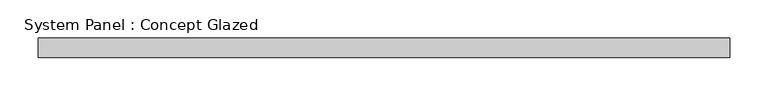
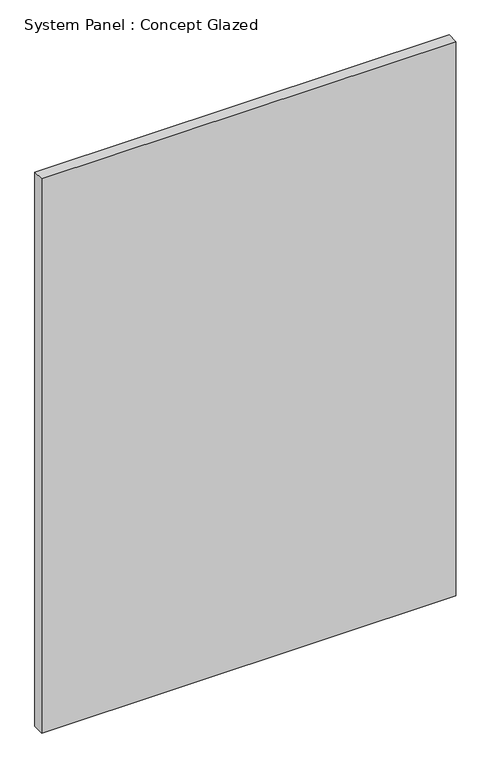
"""IFC4 building model written with IfcOpenShell, lengths in millimetres: plate geometry, System Panel : Concept Glazed."""

import ifcopenshell
import ifcopenshell.guid

model = None  # the IFC model being written
_history = None  # IfcOwnerHistory: only IFC2X3 demands one
_inside = {}  # id of a spatial element -> (the spatial element, [elements in it])
_under = {}  # id of a project, library or spatial element -> (it, [spatial elements below it])
_declared = {}  # id of a project -> (the project, [libraries it declares])
_typed = {}  # id of a type object -> (the type object, [elements of that type])
_made_of = {}  # id of a material, layer set ... -> (it, [elements and type objects made of it])


def new_model(schema):
    """Start an empty IFC model of exactly this schema.

    Asked for "IFC4X3", IfcOpenShell would pick the latest addendum, in which some entities
    have other attributes; the version numbers below select the first issue.
    IFC2X3 requires an IfcOwnerHistory on every rooted entity: one is made here for all.
    """
    global model, _history
    if schema == "IFC4X3":
        model = ifcopenshell.file(schema_version=(4, 3, 0, 0))
    else:
        model = ifcopenshell.file(schema=schema)
    _inside.clear()
    _under.clear()
    _declared.clear()
    _typed.clear()
    _made_of.clear()
    _history = None
    if model.schema == "IFC2X3":
        org = make("IfcOrganization", Name="unknown")
        user = make(
            "IfcPersonAndOrganization",
            ThePerson=make("IfcPerson", FamilyName="unknown"),
            TheOrganization=org,
        )
        app = make(
            "IfcApplication",
            ApplicationDeveloper=org,
            Version="unknown",
            ApplicationFullName="unknown",
            ApplicationIdentifier="unknown",
        )
        _history = make(
            "IfcOwnerHistory",
            OwningUser=user,
            OwningApplication=app,
            ChangeAction="ADDED",
            CreationDate=0,
        )
    return model


def make(cls, **values):
    """One entity of the class cls with the attributes given. An attribute that is None is left unset."""
    return model.create_entity(
        cls, **{name: value for name, value in values.items() if value is not None}
    )


def rooted(cls, **values):
    """An entity with a GlobalId (a new one), such as an element, a storey or a relation."""
    return make(cls, GlobalId=ifcopenshell.guid.new(), OwnerHistory=_history, **values)


def si_unit(unit_type, name, prefix=None):
    """IfcSIUnit, for example si_unit("LENGTHUNIT", "METRE", prefix="MILLI")."""
    return make("IfcSIUnit", UnitType=unit_type, Prefix=prefix, Name=name)


def assignment(units):
    """IfcUnitAssignment: the units of a project."""
    return None if units is None else make("IfcUnitAssignment", Units=units)


def point(xyz):
    """IfcCartesianPoint."""
    return None if xyz is None else make("IfcCartesianPoint", Coordinates=xyz)


def direction(xyz):
    """IfcDirection."""
    return None if xyz is None else make("IfcDirection", DirectionRatios=xyz)


def frame(location, z_axis=None, x_axis=None):
    """IfcAxis2Placement3D, a coordinate frame: its origin and axes. An axis left out is left unset."""
    return make(
        "IfcAxis2Placement3D",
        Location=point(location),
        Axis=direction(z_axis),
        RefDirection=direction(x_axis),
    )


def origin():
    """The frame at (0, 0, 0) with its axes left unset."""
    return frame((0.0, 0.0, 0.0))


def origin_with_axes():
    """The frame at (0, 0, 0) with the z axis (0, 0, 1) and the x axis (1, 0, 0) written out."""
    return frame((0.0, 0.0, 0.0), z_axis=(0.0, 0.0, 1.0), x_axis=(1.0, 0.0, 0.0))


def place(relative_to, where):
    """IfcLocalPlacement: puts the frame where relative to a parent placement (None: the world)."""
    return make(
        "IfcLocalPlacement", PlacementRelTo=relative_to, RelativePlacement=where
    )


def context(
    kind, dimensions, precision=None, world=None, true_north=None, identifier=None
):
    """IfcGeometricRepresentationContext, for example the 3D "Model" context."""
    return make(
        "IfcGeometricRepresentationContext",
        ContextIdentifier=identifier,
        ContextType=kind,
        CoordinateSpaceDimension=dimensions,
        Precision=precision,
        WorldCoordinateSystem=world,
        TrueNorth=true_north,
    )


def project(units=None, contexts=None):
    """IfcProject with its units and contexts."""
    return rooted(
        "IfcProject",
        Name="project",
        RepresentationContexts=contexts,
        UnitsInContext=assignment(units),
    )


def spatial(cls, under=None, at=None, **own):
    """A site, building, storey or space (cls), placed at a placement, below another one or the project."""
    s = rooted(cls, ObjectPlacement=at, **own)
    if under is not None:
        _under.setdefault(under.id(), (under, []))[1].append(s)
    return s


def polyline(points):
    """IfcPolyline through the points."""
    return make("IfcPolyline", Points=[point(p) for p in points])


def outline(outer, holes=None, kind="AREA"):
    """IfcArbitraryClosedProfileDef: a profile drawn as a closed curve; with holes, ...WithVoids."""
    if holes is None:
        return make("IfcArbitraryClosedProfileDef", ProfileType=kind, OuterCurve=outer)
    return make(
        "IfcArbitraryProfileDefWithVoids",
        ProfileType=kind,
        OuterCurve=outer,
        InnerCurves=holes,
    )


def extrude(swept, where, along, depth):
    """IfcExtrudedAreaSolid: the profile swept, set in the frame where, extruded along a direction by depth."""
    return make(
        "IfcExtrudedAreaSolid",
        SweptArea=swept,
        Position=where,
        ExtrudedDirection=direction(along),
        Depth=depth,
    )


def shape(context_of_items, identifier, shape_type, items):
    """IfcShapeRepresentation: the items that make up one representation, for example the "Body"."""
    return make(
        "IfcShapeRepresentation",
        ContextOfItems=context_of_items,
        RepresentationIdentifier=identifier,
        RepresentationType=shape_type,
        Items=items,
    )


def source(mapping_origin, context_of_items, identifier, shape_type, items):
    """IfcRepresentationMap: a shape defined once, which mapped items show again and again."""
    return make(
        "IfcRepresentationMap",
        MappingOrigin=mapping_origin,
        MappedRepresentation=shape(context_of_items, identifier, shape_type, items),
    )


def transform(
    local_origin,
    x_axis=None,
    y_axis=None,
    z_axis=None,
    scale=None,
    scale2=None,
    scale3=None,
    uniform=True,
):
    """IfcCartesianTransformationOperator3D, or its non-uniform kind. x_axis, y_axis, z_axis: its Axis1, 2, 3."""
    if uniform:
        return make(
            "IfcCartesianTransformationOperator3D",
            Axis1=direction(x_axis),
            Axis2=direction(y_axis),
            LocalOrigin=point(local_origin),
            Scale=scale,
            Axis3=direction(z_axis),
        )
    return make(
        "IfcCartesianTransformationOperator3DnonUniform",
        Axis1=direction(x_axis),
        Axis2=direction(y_axis),
        LocalOrigin=point(local_origin),
        Scale=scale,
        Axis3=direction(z_axis),
        Scale2=scale2,
        Scale3=scale3,
    )


def mapped(mapping_source, mapping_target):
    """IfcMappedItem: shows the shape of a source again, moved by a transform."""
    return make(
        "IfcMappedItem", MappingSource=mapping_source, MappingTarget=mapping_target
    )


def made_of(thing, what):
    """Note that an element or type object is made of a material, layer set ...; save() writes the relation."""
    if what is not None:
        _made_of.setdefault(what.id(), (what, []))[1].append(thing)
    return thing


def element(
    cls,
    number,
    at=None,
    inside=None,
    cuts=None,
    type_object=None,
    material=None,
    context=None,
    identifier="Body",
    shape_type=None,
    held_by="IfcProductDefinitionShape",
    body=None,
    shapes=None,
    **own,
):
    """One element of the class cls, such as IfcWall. Its Tag is "e" and its number.

    at: its placement. inside: the storey or other place that contains it. cuts: it is an
    opening in that element (IfcRelVoidsElement). A single representation is given by context,
    identifier, shape_type and body (its items); several are given by shapes. held_by: the class
    of the entity that holds the representations. save() writes the other relations.
    """
    e = rooted(cls, Tag="e%d" % number, ObjectPlacement=at, **own)
    if body is not None:
        shapes = [shape(context, identifier, shape_type, body)]
    if shapes is not None:
        e.Representation = make(held_by, Representations=shapes)
    if inside is not None:
        _inside.setdefault(inside.id(), (inside, []))[1].append(e)
    if cuts is not None:
        rooted(
            "IfcRelVoidsElement", RelatingBuildingElement=cuts, RelatedOpeningElement=e
        )
    if type_object is not None:
        _typed.setdefault(type_object.id(), (type_object, []))[1].append(e)
    return made_of(e, material)


def aggregate(whole, parts):
    """IfcRelAggregates: a whole, such as a stair, and the parts it consists of."""
    return rooted("IfcRelAggregates", RelatingObject=whole, RelatedObjects=parts)


def save(model, path):
    """Write the relations noted so far, then the file.

    IfcRelAggregates (storeys below a building ...), IfcRelContainedInSpatialStructure (elements
    in a storey), IfcRelDefinesByType, IfcRelAssociatesMaterial and IfcRelDeclares: one each for
    every whole, place, type object, material and project.
    """
    for whole, parts in _under.values():
        aggregate(whole, parts)
    for where, things in _inside.values():
        rooted(
            "IfcRelContainedInSpatialStructure",
            RelatedElements=things,
            RelatingStructure=where,
        )
    for kind, things in _typed.values():
        rooted("IfcRelDefinesByType", RelatedObjects=things, RelatingType=kind)
    for what, things in _made_of.values():
        rooted("IfcRelAssociatesMaterial", RelatedObjects=things, RelatingMaterial=what)
    for by, libraries in _declared.values():
        rooted("IfcRelDeclares", RelatingContext=by, RelatedDefinitions=libraries)
    model.write(path)


def system_panel_concept_glazed_844931f0(model_context):
    return source(origin(), model_context, "Body", "SweptSolid", [
        extrude(outline(polyline([(450.625, 0.0), (-450.625, 0.0), (-450.625, 25.0), (450.625, 25.0), (450.625, 0.0)])), origin_with_axes(), (0.0, 0.0, 1.0), 1275.0),
    ])


if __name__ == "__main__":
    model = new_model("IFC4")
    model_context = context("Model", 3, world=origin())
    ifc_project = project(units=[si_unit("LENGTHUNIT", "METRE", prefix="MILLI")], contexts=[model_context])
    site = spatial("IfcSite", under=ifc_project)
    building = spatial("IfcBuilding", under=site)
    placement = place(None, origin())
    system_panel_concept_glazed_shape = system_panel_concept_glazed_844931f0(model_context)
    element("IfcPlate", 1, ObjectType="System Panel : Concept Glazed", at=placement, inside=building, context=model_context, shape_type="MappedRepresentation", body=[
        mapped(system_panel_concept_glazed_shape, transform((0.0, 0.0, 0.0), x_axis=(1.0, 0.0, 0.0), y_axis=(0.0, 1.0, 0.0), z_axis=(0.0, 0.0, 1.0))),
    ])
    save(model, "model.ifc")
